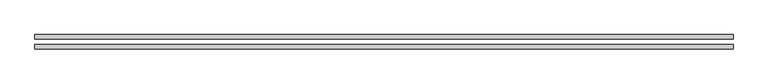
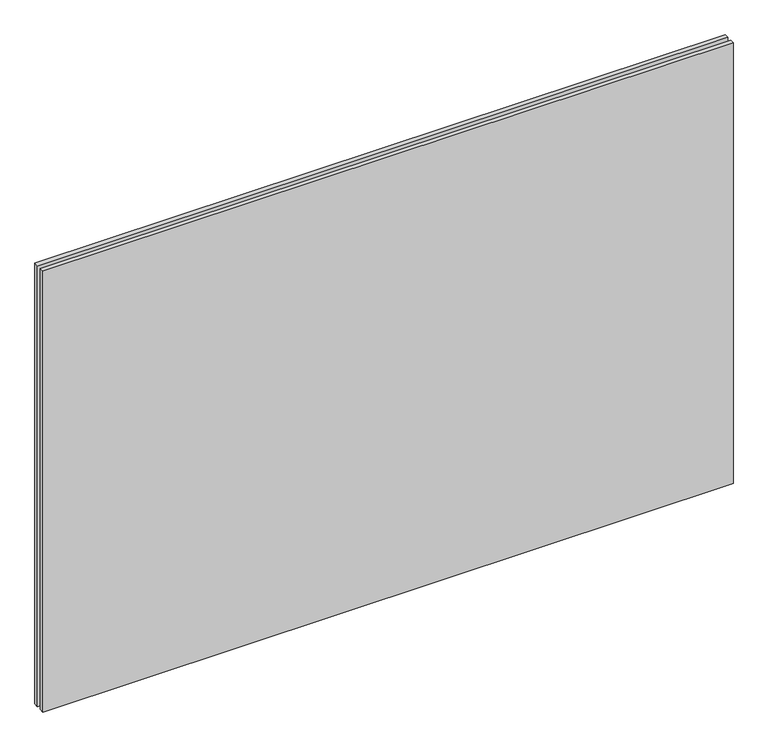
"""IFC4 building model written with IfcOpenShell, lengths in millimetres: plate geometry."""

from ifc_helpers import new_model, si_unit, origin, origin_with_axes, place, context, project, spatial, polyline, outline, extrude, source, transform, mapped, element, save


def plate_d6541f2c(model_context):
    return source(origin(), model_context, "Body", "SweptSolid", [
        extrude(outline(polyline([(616.65, -40.8), (-616.65, -40.8), (-616.65, -32.8), (616.65, -32.8), (616.65, -40.8)])), origin_with_axes(), (0.0, 0.0, 1.0), 833.3),
        extrude(outline(polyline([(616.65, -23.8), (-616.65, -23.8), (-616.65, -15.8), (616.65, -15.8), (616.65, -23.8)])), origin_with_axes(), (0.0, 0.0, 1.0), 833.3),
    ])


if __name__ == "__main__":
    model = new_model("IFC4")
    model_context = context("Model", 3, world=origin())
    ifc_project = project(units=[si_unit("LENGTHUNIT", "METRE", prefix="MILLI")], contexts=[model_context])
    site = spatial("IfcSite", under=ifc_project)
    building = spatial("IfcBuilding", under=site)
    placement = place(None, origin())
    plate_shape = plate_d6541f2c(model_context)
    element("IfcPlate", 1, at=placement, inside=building, context=model_context, shape_type="MappedRepresentation", body=[
        mapped(plate_shape, transform((0.0, 0.0, 0.0), x_axis=(1.0, 0.0, 0.0), y_axis=(0.0, 1.0, 0.0), z_axis=(0.0, 0.0, 1.0))),
    ])
    save(model, "model.ifc")
